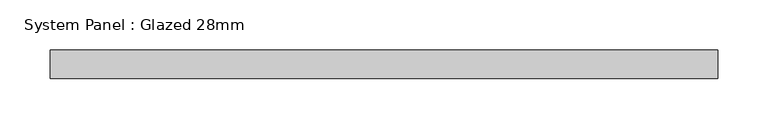
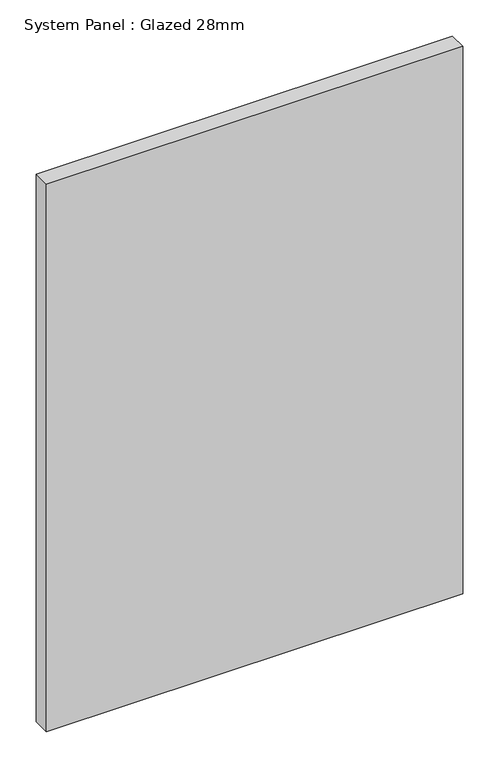
"""IFC4 building model written with IfcOpenShell, lengths in millimetres: plate geometry, System Panel : Glazed 28mm."""

from ifc_helpers import new_model, si_unit, origin, origin_with_axes, place, context, project, spatial, polyline, outline, extrude, source, transform, mapped, element, save


def system_panel_glazed_28mm_a64d0217(model_context):
    return source(origin(), model_context, "Body", "SweptSolid", [
        extrude(outline(polyline([(330.9945126, -14.0), (-330.9945126, -14.0), (-330.9945126, 14.0), (330.9945126, 14.0), (330.9945126, -14.0)])), origin_with_axes(), (0.0, 0.0, 1.0), 920.6624174),
    ])


if __name__ == "__main__":
    model = new_model("IFC4")
    model_context = context("Model", 3, world=origin())
    ifc_project = project(units=[si_unit("LENGTHUNIT", "METRE", prefix="MILLI")], contexts=[model_context])
    site = spatial("IfcSite", under=ifc_project)
    building = spatial("IfcBuilding", under=site)
    placement = place(None, origin())
    system_panel_glazed_28mm_shape = system_panel_glazed_28mm_a64d0217(model_context)
    element("IfcPlate", 1, ObjectType="System Panel : Glazed 28mm", at=placement, inside=building, context=model_context, shape_type="MappedRepresentation", body=[
        mapped(system_panel_glazed_28mm_shape, transform((0.0, 0.0, 0.0), x_axis=(1.0, 0.0, 0.0), y_axis=(0.0, 1.0, 0.0), z_axis=(0.0, 0.0, 1.0))),
    ])
    save(model, "model.ifc")
